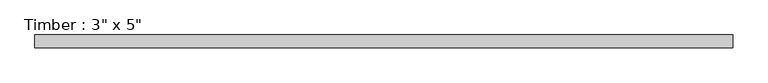
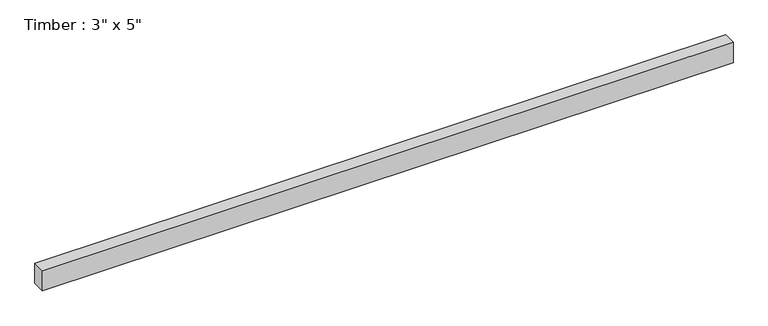
"""IFC4 building model written with IfcOpenShell, lengths in millimetres: beam geometry."""

from ifc_helpers import new_model, si_unit, frame, origin, place, context, project, spatial, polyline, outline, extrude, source, transform, mapped, element, save


def beam_fc4be2ae(model_context):
    return source(origin(), model_context, "Body", "SweptSolid", [
        extrude(outline(polyline([(2047.2166553, 38.1), (2047.2166553, -38.1), (-2047.2166553, -38.1), (-2047.2166553, 38.1), (2047.2166553, 38.1)])), frame((0.0, 0.0, -63.5), z_axis=(0.0, 0.0, 1.0), x_axis=(1.0, 0.0, 0.0)), (0.0, 0.0, 1.0), 127.0),
    ])


if __name__ == "__main__":
    model = new_model("IFC4")
    model_context = context("Model", 3, world=origin())
    ifc_project = project(units=[si_unit("LENGTHUNIT", "METRE", prefix="MILLI")], contexts=[model_context])
    site = spatial("IfcSite", under=ifc_project)
    building = spatial("IfcBuilding", under=site)
    placement = place(None, origin())
    beam_shape = beam_fc4be2ae(model_context)
    element("IfcBeam", 1, ObjectType="Timber : 3\" x 5\"", at=placement, inside=building, context=model_context, shape_type="MappedRepresentation", body=[
        mapped(beam_shape, transform((0.0, 0.0, 0.0), x_axis=(1.0, 0.0, 0.0), y_axis=(0.0, 1.0, 0.0), z_axis=(0.0, 0.0, 1.0))),
    ])
    save(model, "model.ifc")
